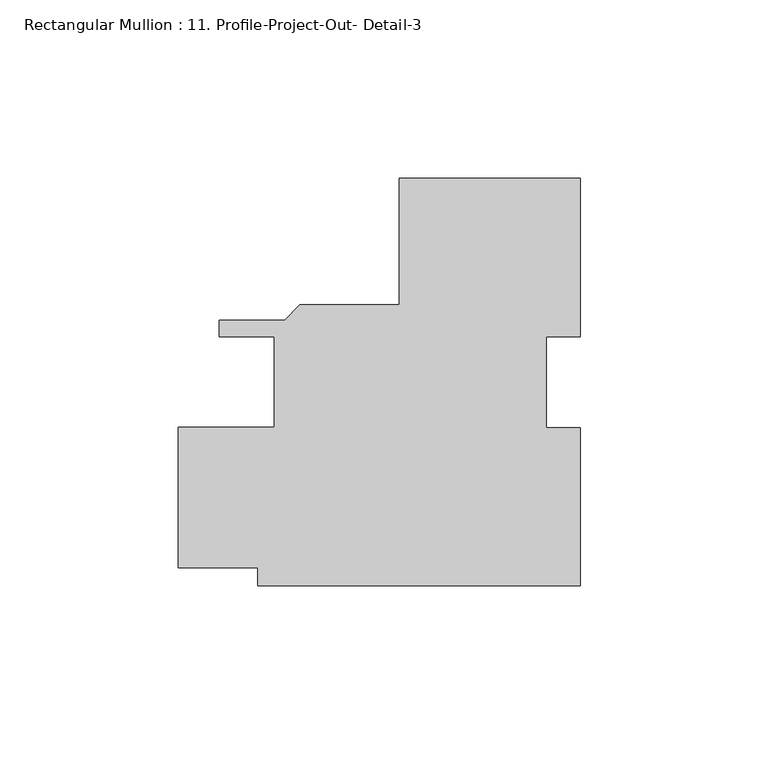
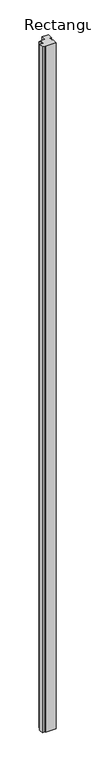
"""IFC4 building model written with IfcOpenShell, lengths in millimetres: member geometry, Rectangular Mullion : 11. Profile-Project-Out- Detail-3."""

from ifc_helpers import new_model, si_unit, frame, origin, place, context, project, spatial, polyline, outline, extrude, source, transform, mapped, element, save


def rectangular_mullion_11_profile_project_out_detail_3_4c72e43b(model_context):
    return source(origin(), model_context, "Body", "SweptSolid", [
        extrude(outline(polyline([(25.4, -57.15), (-65.1060135, -57.15), (-65.1060135, -52.0700207), (-87.3125, -52.0700207), (-87.3125, -12.7000207), (-60.3435135, -12.7000207), (-60.3435135, 12.6999791), (-75.8261495, 12.6999791), (-75.8261495, 17.3989793), (-57.4621552, 17.3989793), (-53.1949552, 21.6661793), (-25.4054077, 21.6661793), (-25.4054077, 57.15), (25.3945923, 57.15), (25.3945923, 12.7326322), (15.875542, 12.7326322), (15.875542, -12.7550661), (25.4, -12.7550661), (25.4, -57.15)])), frame((0.0, 0.0, -6008.7370355), z_axis=(0.0, 0.0, 1.0), x_axis=(1.0, 0.0, 0.0)), (0.0, 0.0, 1.0), 6008.7370355),
    ])


if __name__ == "__main__":
    model = new_model("IFC4")
    model_context = context("Model", 3, world=origin())
    ifc_project = project(units=[si_unit("LENGTHUNIT", "METRE", prefix="MILLI")], contexts=[model_context])
    site = spatial("IfcSite", under=ifc_project)
    building = spatial("IfcBuilding", under=site)
    placement = place(None, origin())
    rectangular_mullion_11_profile_project_out_detail_3_shape = rectangular_mullion_11_profile_project_out_detail_3_4c72e43b(model_context)
    element("IfcMember", 1, ObjectType="Rectangular Mullion : 11. Profile-Project-Out- Detail-3", at=placement, inside=building, context=model_context, shape_type="MappedRepresentation", body=[
        mapped(rectangular_mullion_11_profile_project_out_detail_3_shape, transform((0.0, 0.0, 0.0), x_axis=(1.0, 0.0, 0.0), y_axis=(0.0, 1.0, 0.0), z_axis=(0.0, 0.0, 1.0))),
    ])
    save(model, "model.ifc")
